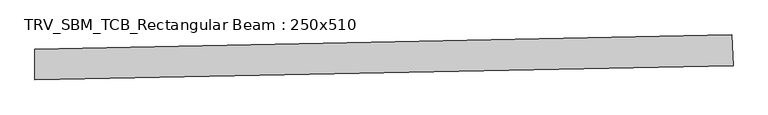
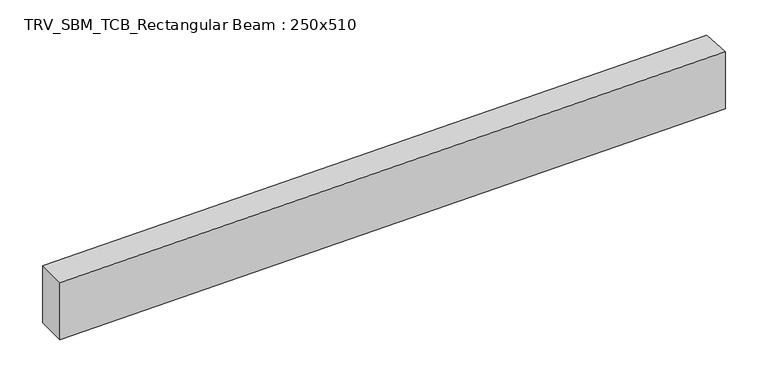
"""IFC4 building model written with IfcOpenShell, lengths in millimetres: beam geometry, TRV_SBM_TCB_Rectangular Beam : 250x510."""

from ifc_helpers import new_model, si_unit, point, frame, frame_2d, origin, place, context, project, spatial, polyline, circle_curve, trimmed, segment, composite_curve, outline, extrude, source, transform, mapped, element, save


def trv_sbm_tcb_rectangular_beam_250x510_7a4fd712(model_context):
    return source(origin(), model_context, "Body", "SweptSolid", [
        extrude(outline(composite_curve([segment(polyline([(5670.4392064, 241.2326678), (5680.6839024, -8.5573364)]), True, "CONTINUOUS"), segment(trimmed(circle_curve(frame_2d((0.0, 138500.0)), 138625.0), [point((5680.6839024, -8.5573364))], [point((-12.7124724, -124.9994171))], False, "CARTESIAN"), True, "CONTINUOUS"), segment(polyline([(-12.7124724, -124.9994171), (-12.6895464, 125.0005818)]), True, "CONTINUOUS"), segment(trimmed(circle_curve(frame_2d((0.0, 138500.0)), 138375.0), [point((-12.6895464, 125.0005818))], [point((5670.4392064, 241.2326678))], True, "CARTESIAN"), True, "CONTINUOUS")], self_intersect=False)), frame((0.0, 0.0, -255.0), z_axis=(0.0, 0.0, 1.0), x_axis=(1.0, 0.0, 0.0)), (0.0, 0.0, 1.0), 510.0),
    ])


if __name__ == "__main__":
    model = new_model("IFC4")
    model_context = context("Model", 3, world=origin())
    ifc_project = project(units=[si_unit("LENGTHUNIT", "METRE", prefix="MILLI")], contexts=[model_context])
    site = spatial("IfcSite", under=ifc_project)
    building = spatial("IfcBuilding", under=site)
    placement = place(None, origin())
    trv_sbm_tcb_rectangular_beam_250x510_shape = trv_sbm_tcb_rectangular_beam_250x510_7a4fd712(model_context)
    element("IfcBeam", 1, ObjectType="TRV_SBM_TCB_Rectangular Beam : 250x510", at=placement, inside=building, context=model_context, shape_type="MappedRepresentation", body=[
        mapped(trv_sbm_tcb_rectangular_beam_250x510_shape, transform((0.0, 0.0, 0.0), x_axis=(1.0, 0.0, 0.0), y_axis=(0.0, 1.0, 0.0), z_axis=(0.0, 0.0, 1.0))),
    ])
    save(model, "model.ifc")
